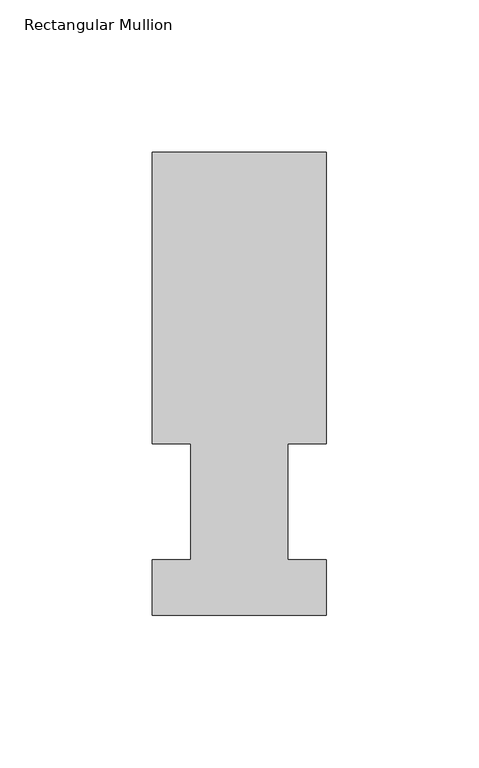
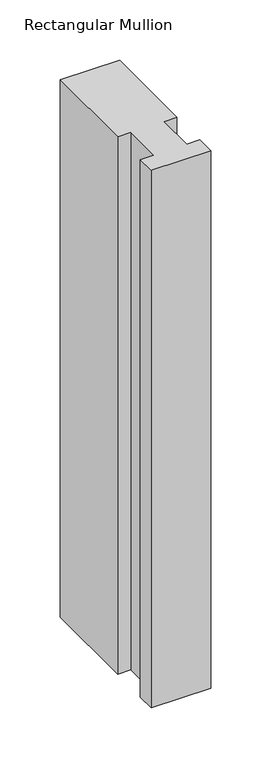
"""IFC4 building model written with IfcOpenShell, lengths in millimetres: member geometry, Rectangular Mullion."""

from ifc_helpers import new_model, si_unit, frame, origin, place, context, project, spatial, polyline, outline, extrude, source, transform, mapped, element, save


def rectangular_mullion_b652250f(model_context):
    return source(origin(), model_context, "Body", "SweptSolid", [
        extrude(outline(polyline([(-57.15, 151.98725), (0.0, 151.98725), (0.0, 56.35625), (-12.7, 56.35625), (-12.7, 18.25625), (0.0, 18.25625), (0.0, -0.03175), (-57.15, -0.03175), (-57.15, 18.25625), (-44.45, 18.25625), (-44.45, 56.35625), (-57.15, 56.35625), (-57.15, 151.98725)])), frame((0.0, 0.0, -546.1), z_axis=(0.0, 0.0, 1.0), x_axis=(1.0, 0.0, 0.0)), (0.0, 0.0, 1.0), 546.1),
    ])


if __name__ == "__main__":
    model = new_model("IFC4")
    model_context = context("Model", 3, world=origin())
    ifc_project = project(units=[si_unit("LENGTHUNIT", "METRE", prefix="MILLI")], contexts=[model_context])
    site = spatial("IfcSite", under=ifc_project)
    building = spatial("IfcBuilding", under=site)
    placement = place(None, origin())
    rectangular_mullion_shape = rectangular_mullion_b652250f(model_context)
    element("IfcMember", 1, ObjectType="Rectangular Mullion", at=placement, inside=building, context=model_context, shape_type="MappedRepresentation", body=[
        mapped(rectangular_mullion_shape, transform((0.0, 0.0, 0.0), x_axis=(1.0, 0.0, 0.0), y_axis=(0.0, 1.0, 0.0), z_axis=(0.0, 0.0, 1.0))),
    ])
    save(model, "model.ifc")
